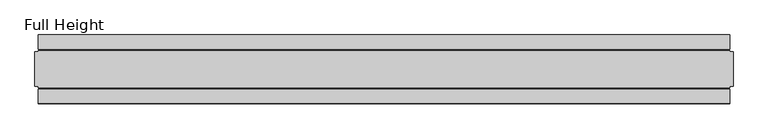
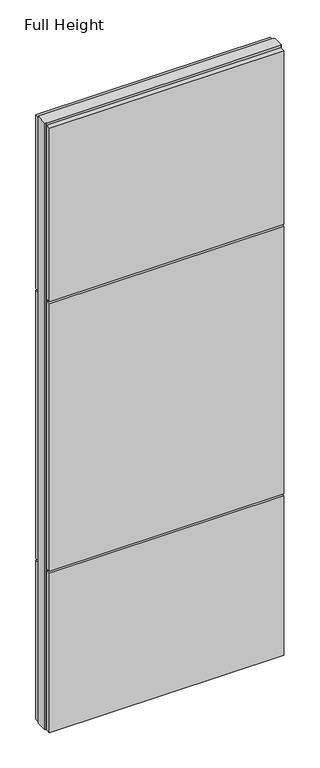
"""IFC4 building model written with IfcOpenShell, lengths in millimetres: plate geometry, Full Height."""

import ifcopenshell
import ifcopenshell.guid

model = None  # the IFC model being written
_history = None  # IfcOwnerHistory: only IFC2X3 demands one
_inside = {}  # id of a spatial element -> (the spatial element, [elements in it])
_under = {}  # id of a project, library or spatial element -> (it, [spatial elements below it])
_declared = {}  # id of a project -> (the project, [libraries it declares])
_typed = {}  # id of a type object -> (the type object, [elements of that type])
_made_of = {}  # id of a material, layer set ... -> (it, [elements and type objects made of it])


def new_model(schema):
    """Start an empty IFC model of exactly this schema.

    Asked for "IFC4X3", IfcOpenShell would pick the latest addendum, in which some entities
    have other attributes; the version numbers below select the first issue.
    IFC2X3 requires an IfcOwnerHistory on every rooted entity: one is made here for all.
    """
    global model, _history
    if schema == "IFC4X3":
        model = ifcopenshell.file(schema_version=(4, 3, 0, 0))
    else:
        model = ifcopenshell.file(schema=schema)
    _inside.clear()
    _under.clear()
    _declared.clear()
    _typed.clear()
    _made_of.clear()
    _history = None
    if model.schema == "IFC2X3":
        org = make("IfcOrganization", Name="unknown")
        user = make(
            "IfcPersonAndOrganization",
            ThePerson=make("IfcPerson", FamilyName="unknown"),
            TheOrganization=org,
        )
        app = make(
            "IfcApplication",
            ApplicationDeveloper=org,
            Version="unknown",
            ApplicationFullName="unknown",
            ApplicationIdentifier="unknown",
        )
        _history = make(
            "IfcOwnerHistory",
            OwningUser=user,
            OwningApplication=app,
            ChangeAction="ADDED",
            CreationDate=0,
        )
    return model


def make(cls, **values):
    """One entity of the class cls with the attributes given. An attribute that is None is left unset."""
    return model.create_entity(
        cls, **{name: value for name, value in values.items() if value is not None}
    )


def rooted(cls, **values):
    """An entity with a GlobalId (a new one), such as an element, a storey or a relation."""
    return make(cls, GlobalId=ifcopenshell.guid.new(), OwnerHistory=_history, **values)


def si_unit(unit_type, name, prefix=None):
    """IfcSIUnit, for example si_unit("LENGTHUNIT", "METRE", prefix="MILLI")."""
    return make("IfcSIUnit", UnitType=unit_type, Prefix=prefix, Name=name)


def assignment(units):
    """IfcUnitAssignment: the units of a project."""
    return None if units is None else make("IfcUnitAssignment", Units=units)


def point(xyz):
    """IfcCartesianPoint."""
    return None if xyz is None else make("IfcCartesianPoint", Coordinates=xyz)


def direction(xyz):
    """IfcDirection."""
    return None if xyz is None else make("IfcDirection", DirectionRatios=xyz)


def frame(location, z_axis=None, x_axis=None):
    """IfcAxis2Placement3D, a coordinate frame: its origin and axes. An axis left out is left unset."""
    return make(
        "IfcAxis2Placement3D",
        Location=point(location),
        Axis=direction(z_axis),
        RefDirection=direction(x_axis),
    )


def origin():
    """The frame at (0, 0, 0) with its axes left unset."""
    return frame((0.0, 0.0, 0.0))


def origin_with_axes():
    """The frame at (0, 0, 0) with the z axis (0, 0, 1) and the x axis (1, 0, 0) written out."""
    return frame((0.0, 0.0, 0.0), z_axis=(0.0, 0.0, 1.0), x_axis=(1.0, 0.0, 0.0))


def place(relative_to, where):
    """IfcLocalPlacement: puts the frame where relative to a parent placement (None: the world)."""
    return make(
        "IfcLocalPlacement", PlacementRelTo=relative_to, RelativePlacement=where
    )


def context(
    kind, dimensions, precision=None, world=None, true_north=None, identifier=None
):
    """IfcGeometricRepresentationContext, for example the 3D "Model" context."""
    return make(
        "IfcGeometricRepresentationContext",
        ContextIdentifier=identifier,
        ContextType=kind,
        CoordinateSpaceDimension=dimensions,
        Precision=precision,
        WorldCoordinateSystem=world,
        TrueNorth=true_north,
    )


def project(units=None, contexts=None):
    """IfcProject with its units and contexts."""
    return rooted(
        "IfcProject",
        Name="project",
        RepresentationContexts=contexts,
        UnitsInContext=assignment(units),
    )


def spatial(cls, under=None, at=None, **own):
    """A site, building, storey or space (cls), placed at a placement, below another one or the project."""
    s = rooted(cls, ObjectPlacement=at, **own)
    if under is not None:
        _under.setdefault(under.id(), (under, []))[1].append(s)
    return s


def polyline(points):
    """IfcPolyline through the points."""
    return make("IfcPolyline", Points=[point(p) for p in points])


def outline(outer, holes=None, kind="AREA"):
    """IfcArbitraryClosedProfileDef: a profile drawn as a closed curve; with holes, ...WithVoids."""
    if holes is None:
        return make("IfcArbitraryClosedProfileDef", ProfileType=kind, OuterCurve=outer)
    return make(
        "IfcArbitraryProfileDefWithVoids",
        ProfileType=kind,
        OuterCurve=outer,
        InnerCurves=holes,
    )


def extrude(swept, where, along, depth):
    """IfcExtrudedAreaSolid: the profile swept, set in the frame where, extruded along a direction by depth."""
    return make(
        "IfcExtrudedAreaSolid",
        SweptArea=swept,
        Position=where,
        ExtrudedDirection=direction(along),
        Depth=depth,
    )


def shape(context_of_items, identifier, shape_type, items):
    """IfcShapeRepresentation: the items that make up one representation, for example the "Body"."""
    return make(
        "IfcShapeRepresentation",
        ContextOfItems=context_of_items,
        RepresentationIdentifier=identifier,
        RepresentationType=shape_type,
        Items=items,
    )


def source(mapping_origin, context_of_items, identifier, shape_type, items):
    """IfcRepresentationMap: a shape defined once, which mapped items show again and again."""
    return make(
        "IfcRepresentationMap",
        MappingOrigin=mapping_origin,
        MappedRepresentation=shape(context_of_items, identifier, shape_type, items),
    )


def transform(
    local_origin,
    x_axis=None,
    y_axis=None,
    z_axis=None,
    scale=None,
    scale2=None,
    scale3=None,
    uniform=True,
):
    """IfcCartesianTransformationOperator3D, or its non-uniform kind. x_axis, y_axis, z_axis: its Axis1, 2, 3."""
    if uniform:
        return make(
            "IfcCartesianTransformationOperator3D",
            Axis1=direction(x_axis),
            Axis2=direction(y_axis),
            LocalOrigin=point(local_origin),
            Scale=scale,
            Axis3=direction(z_axis),
        )
    return make(
        "IfcCartesianTransformationOperator3DnonUniform",
        Axis1=direction(x_axis),
        Axis2=direction(y_axis),
        LocalOrigin=point(local_origin),
        Scale=scale,
        Axis3=direction(z_axis),
        Scale2=scale2,
        Scale3=scale3,
    )


def mapped(mapping_source, mapping_target):
    """IfcMappedItem: shows the shape of a source again, moved by a transform."""
    return make(
        "IfcMappedItem", MappingSource=mapping_source, MappingTarget=mapping_target
    )


def made_of(thing, what):
    """Note that an element or type object is made of a material, layer set ...; save() writes the relation."""
    if what is not None:
        _made_of.setdefault(what.id(), (what, []))[1].append(thing)
    return thing


def element(
    cls,
    number,
    at=None,
    inside=None,
    cuts=None,
    type_object=None,
    material=None,
    context=None,
    identifier="Body",
    shape_type=None,
    held_by="IfcProductDefinitionShape",
    body=None,
    shapes=None,
    **own,
):
    """One element of the class cls, such as IfcWall. Its Tag is "e" and its number.

    at: its placement. inside: the storey or other place that contains it. cuts: it is an
    opening in that element (IfcRelVoidsElement). A single representation is given by context,
    identifier, shape_type and body (its items); several are given by shapes. held_by: the class
    of the entity that holds the representations. save() writes the other relations.
    """
    e = rooted(cls, Tag="e%d" % number, ObjectPlacement=at, **own)
    if body is not None:
        shapes = [shape(context, identifier, shape_type, body)]
    if shapes is not None:
        e.Representation = make(held_by, Representations=shapes)
    if inside is not None:
        _inside.setdefault(inside.id(), (inside, []))[1].append(e)
    if cuts is not None:
        rooted(
            "IfcRelVoidsElement", RelatingBuildingElement=cuts, RelatedOpeningElement=e
        )
    if type_object is not None:
        _typed.setdefault(type_object.id(), (type_object, []))[1].append(e)
    return made_of(e, material)


def aggregate(whole, parts):
    """IfcRelAggregates: a whole, such as a stair, and the parts it consists of."""
    return rooted("IfcRelAggregates", RelatingObject=whole, RelatedObjects=parts)


def save(model, path):
    """Write the relations noted so far, then the file.

    IfcRelAggregates (storeys below a building ...), IfcRelContainedInSpatialStructure (elements
    in a storey), IfcRelDefinesByType, IfcRelAssociatesMaterial and IfcRelDeclares: one each for
    every whole, place, type object, material and project.
    """
    for whole, parts in _under.values():
        aggregate(whole, parts)
    for where, things in _inside.values():
        rooted(
            "IfcRelContainedInSpatialStructure",
            RelatedElements=things,
            RelatingStructure=where,
        )
    for kind, things in _typed.values():
        rooted("IfcRelDefinesByType", RelatedObjects=things, RelatingType=kind)
    for what, things in _made_of.values():
        rooted("IfcRelAssociatesMaterial", RelatedObjects=things, RelatingMaterial=what)
    for by, libraries in _declared.values():
        rooted("IfcRelDeclares", RelatingContext=by, RelatedDefinitions=libraries)
    model.write(path)


def full_height_c298d011(model_context):
    return source(origin(), model_context, "Body", "SweptSolid", [
        extrude(outline(polyline([(501.1195856, 28.956), (-501.1195856, 28.956), (-501.1195856, 49.53), (501.1195856, 49.53), (501.1195856, 28.956)])), frame((0.0, 0.0, 1949.196), z_axis=(0.0, 0.0, 1.0), x_axis=(1.0, 0.0, 0.0)), (0.0, 0.0, 1.0), 784.86),
        extrude(outline(polyline([(501.1195856, 28.956), (-501.1195856, 28.956), (-501.1195856, 49.53), (501.1195856, 49.53), (501.1195856, 28.956)])), frame((0.0, 0.0, 729.996), z_axis=(0.0, 0.0, 1.0), x_axis=(1.0, 0.0, 0.0)), (0.0, 0.0, 1.0), 1210.056),
        extrude(outline(polyline([(501.1195856, 28.956), (-501.1195856, 28.956), (-501.1195856, 49.53), (501.1195856, 49.53), (501.1195856, 28.956)])), origin_with_axes(), (0.0, 0.0, 1.0), 720.852),
        extrude(outline(polyline([(501.1195856, -28.956), (501.1195856, -49.53), (-501.1195856, -49.53), (-501.1195856, -28.956), (501.1195856, -28.956)])), frame((0.0, 0.0, 1949.196), z_axis=(0.0, 0.0, 1.0), x_axis=(1.0, 0.0, 0.0)), (0.0, 0.0, 1.0), 784.86),
        extrude(outline(polyline([(501.1195856, -28.956), (501.1195856, -49.53), (-501.1195856, -49.53), (-501.1195856, -28.956), (501.1195856, -28.956)])), frame((0.0, 0.0, 729.996), z_axis=(0.0, 0.0, 1.0), x_axis=(1.0, 0.0, 0.0)), (0.0, 0.0, 1.0), 1210.056),
        extrude(outline(polyline([(501.1195856, -28.956), (501.1195856, -49.53), (-501.1195856, -49.53), (-501.1195856, -28.956), (501.1195856, -28.956)])), origin_with_axes(), (0.0, 0.0, 1.0), 720.852),
        extrude(outline(polyline([(501.1195856, -25.146), (501.1195856, -26.67), (-501.1195856, -26.67), (-501.1195856, -25.146), (-505.6915856, -25.146), (-505.6915856, 25.146), (-501.1195856, 25.146), (-501.1195856, 26.67), (501.1195856, 26.67), (501.1195856, 25.146), (505.6915856, 25.146), (505.6915856, -25.146), (501.1195856, -25.146)])), origin_with_axes(), (0.0, 0.0, 1.0), 2743.2),
    ])


if __name__ == "__main__":
    model = new_model("IFC4")
    model_context = context("Model", 3, world=origin())
    ifc_project = project(units=[si_unit("LENGTHUNIT", "METRE", prefix="MILLI")], contexts=[model_context])
    site = spatial("IfcSite", under=ifc_project)
    building = spatial("IfcBuilding", under=site)
    placement = place(None, origin())
    full_height_shape = full_height_c298d011(model_context)
    element("IfcPlate", 1, ObjectType="Full Height", at=placement, inside=building, context=model_context, shape_type="MappedRepresentation", body=[
        mapped(full_height_shape, transform((0.0, 0.0, 0.0), x_axis=(1.0, 0.0, 0.0), y_axis=(0.0, 1.0, 0.0), z_axis=(0.0, 0.0, 1.0))),
    ])
    save(model, "model.ifc")
